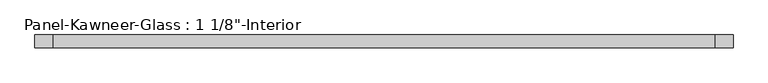
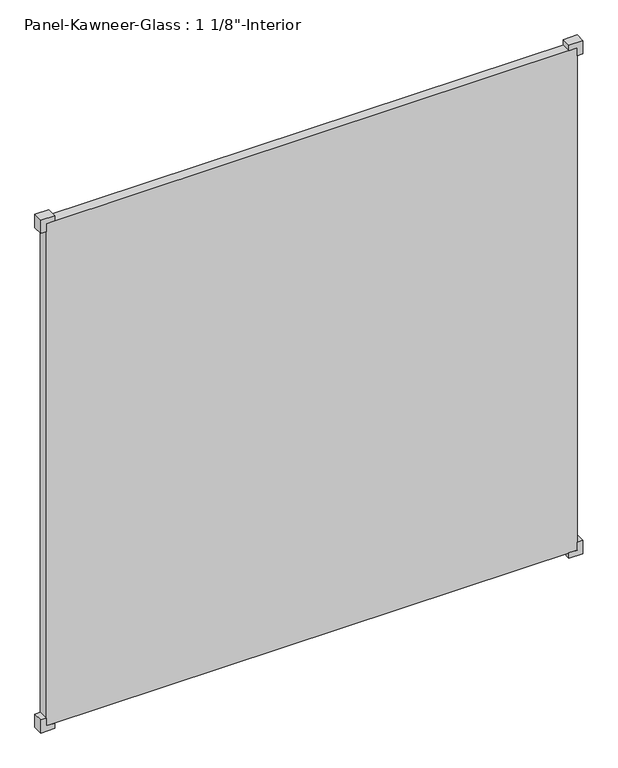
"""IFC4 building model written with IfcOpenShell, lengths in millimetres: plate geometry."""

from ifc_helpers import new_model, si_unit, frame, origin, origin_with_axes, place, context, project, spatial, polyline, outline, extrude, source, transform, mapped, element, save


def plate_1aa2ae66(model_context):
    return source(origin(), model_context, "Body", "SweptSolid", [
        extrude(outline(polyline([(-15.875, 730.25), (-15.875, 769.9375), (23.8125, 769.9375), (23.8125, 754.0625), (0.0, 754.0625), (0.0, 730.25), (-15.875, 730.25)])), frame((0.0, -14.2210761, 0.0), z_axis=(0.0, 1.0, 0.0), x_axis=(0.0, 0.0, 1.0)), (0.0, 0.0, 1.0), 28.575),
        extrude(outline(polyline([(-15.875, -730.25), (0.0, -730.25), (0.0, -754.0625), (23.8125, -754.0625), (23.8125, -769.9375), (-15.875, -769.9375), (-15.875, -730.25)])), frame((0.0, -14.2210761, 0.0), z_axis=(0.0, 1.0, 0.0), x_axis=(0.0, 0.0, 1.0)), (0.0, 0.0, 1.0), 28.575),
        extrude(outline(polyline([(1524.0, 730.25), (1508.125, 730.25), (1508.125, 754.0625), (1484.3125, 754.0625), (1484.3125, 769.9375), (1524.0, 769.9375), (1524.0, 730.25)])), frame((0.0, -14.2210761, 0.0), z_axis=(0.0, 1.0, 0.0), x_axis=(0.0, 0.0, 1.0)), (0.0, 0.0, 1.0), 28.575),
        extrude(outline(polyline([(1524.0, -730.25), (1524.0, -769.9375), (1484.3125, -769.9375), (1484.3125, -754.0625), (1508.125, -754.0625), (1508.125, -730.25), (1524.0, -730.25)])), frame((0.0, -14.2210761, 0.0), z_axis=(0.0, 1.0, 0.0), x_axis=(0.0, 0.0, 1.0)), (0.0, 0.0, 1.0), 28.575),
        extrude(outline(polyline([(754.0625, 14.3539239), (754.0625, -14.2210761), (-754.0625, -14.2210761), (-754.0625, 14.3539239), (754.0625, 14.3539239)])), origin_with_axes(), (0.0, 0.0, 1.0), 1508.125),
    ])


if __name__ == "__main__":
    model = new_model("IFC4")
    model_context = context("Model", 3, world=origin())
    ifc_project = project(units=[si_unit("LENGTHUNIT", "METRE", prefix="MILLI")], contexts=[model_context])
    site = spatial("IfcSite", under=ifc_project)
    building = spatial("IfcBuilding", under=site)
    placement = place(None, origin())
    plate_shape = plate_1aa2ae66(model_context)
    element("IfcPlate", 1, ObjectType="Panel-Kawneer-Glass : 1 1/8\"-Interior", at=placement, inside=building, context=model_context, shape_type="MappedRepresentation", body=[
        mapped(plate_shape, transform((0.0, 0.0, 0.0), x_axis=(1.0, 0.0, 0.0), y_axis=(0.0, 1.0, 0.0), z_axis=(0.0, 0.0, 1.0))),
    ])
    save(model, "model.ifc")
